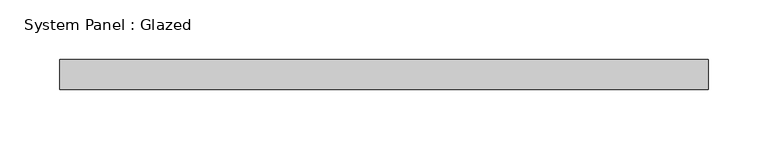
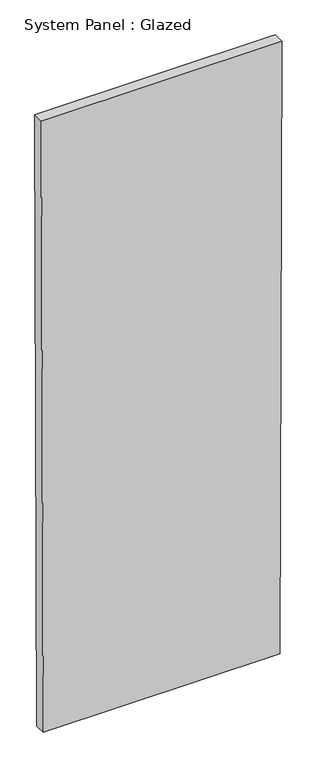
"""IFC4 building model written with IfcOpenShell, lengths in millimetres: plate geometry, System Panel : Glazed."""

from ifc_helpers import new_model, si_unit, frame, origin, place, context, project, spatial, polyline, outline, extrude, source, transform, mapped, element, save


def system_panel_glazed_81e82c74(model_context):
    return source(origin(), model_context, "Body", "SweptSolid", [
        extrude(outline(polyline([(0.0, -265.5864328), (0.0, 265.5864385), (1449.9923386, 270.0593839), (1449.9923394, -270.0593839), (0.0, -265.5864328)])), frame((0.0, -49.5, 0.0), z_axis=(0.0, 1.0, 0.0), x_axis=(0.0, 0.0, 1.0)), (0.0, 0.0, 1.0), 25.0),
    ])


if __name__ == "__main__":
    model = new_model("IFC4")
    model_context = context("Model", 3, world=origin())
    ifc_project = project(units=[si_unit("LENGTHUNIT", "METRE", prefix="MILLI")], contexts=[model_context])
    site = spatial("IfcSite", under=ifc_project)
    building = spatial("IfcBuilding", under=site)
    placement = place(None, origin())
    system_panel_glazed_shape = system_panel_glazed_81e82c74(model_context)
    element("IfcPlate", 1, ObjectType="System Panel : Glazed", at=placement, inside=building, context=model_context, shape_type="MappedRepresentation", body=[
        mapped(system_panel_glazed_shape, transform((0.0, 0.0, 0.0), x_axis=(1.0, 0.0, 0.0), y_axis=(0.0, 1.0, 0.0), z_axis=(0.0, 0.0, 1.0))),
    ])
    save(model, "model.ifc")
